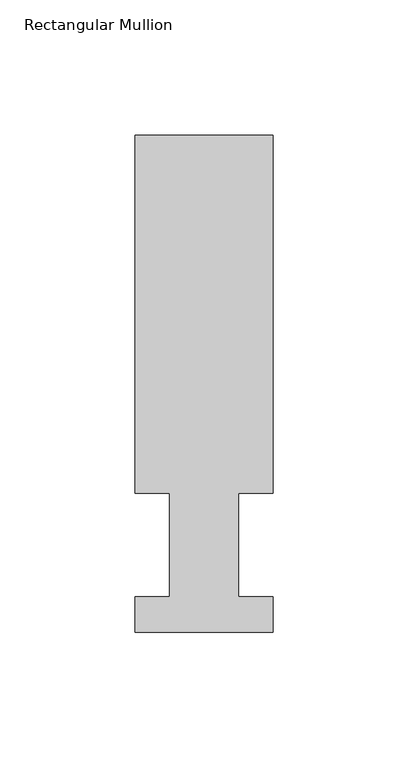
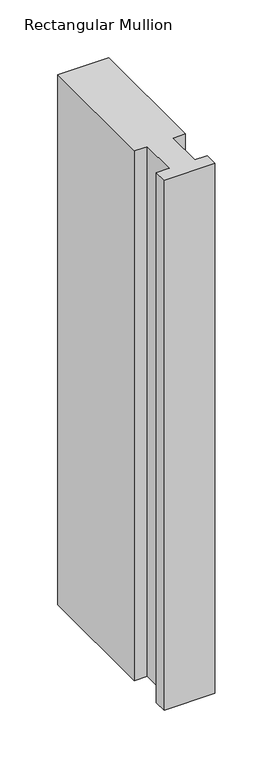
"""IFC4 building model written with IfcOpenShell, lengths in millimetres: member geometry, Rectangular Mullion."""

from ifc_helpers import new_model, si_unit, frame, origin, place, context, project, spatial, polyline, outline, extrude, source, transform, mapped, element, save


def rectangular_mullion_d5a31fcd(model_context):
    return source(origin(), model_context, "Body", "SweptSolid", [
        extrude(outline(polyline([(-50.8, 51.2960937), (-50.8, 183.4446738), (0.0, 183.4446738), (0.0, 51.2960938), (-12.7, 51.2960937), (-12.7, 13.1960938), (0.0, 13.1960938), (0.0, 0.0134937), (-50.8, 0.0134937), (-50.8, 13.1960938), (-38.1, 13.1960938), (-38.1, 51.2960938), (-50.8, 51.2960937)])), frame((0.0, 0.0, -558.8), z_axis=(0.0, 0.0, 1.0), x_axis=(1.0, 0.0, 0.0)), (0.0, 0.0, 1.0), 558.8),
    ])


if __name__ == "__main__":
    model = new_model("IFC4")
    model_context = context("Model", 3, world=origin())
    ifc_project = project(units=[si_unit("LENGTHUNIT", "METRE", prefix="MILLI")], contexts=[model_context])
    site = spatial("IfcSite", under=ifc_project)
    building = spatial("IfcBuilding", under=site)
    placement = place(None, origin())
    rectangular_mullion_shape = rectangular_mullion_d5a31fcd(model_context)
    element("IfcMember", 1, ObjectType="Rectangular Mullion", at=placement, inside=building, context=model_context, shape_type="MappedRepresentation", body=[
        mapped(rectangular_mullion_shape, transform((0.0, 0.0, 0.0), x_axis=(1.0, 0.0, 0.0), y_axis=(0.0, 1.0, 0.0), z_axis=(0.0, 0.0, 1.0))),
    ])
    save(model, "model.ifc")
